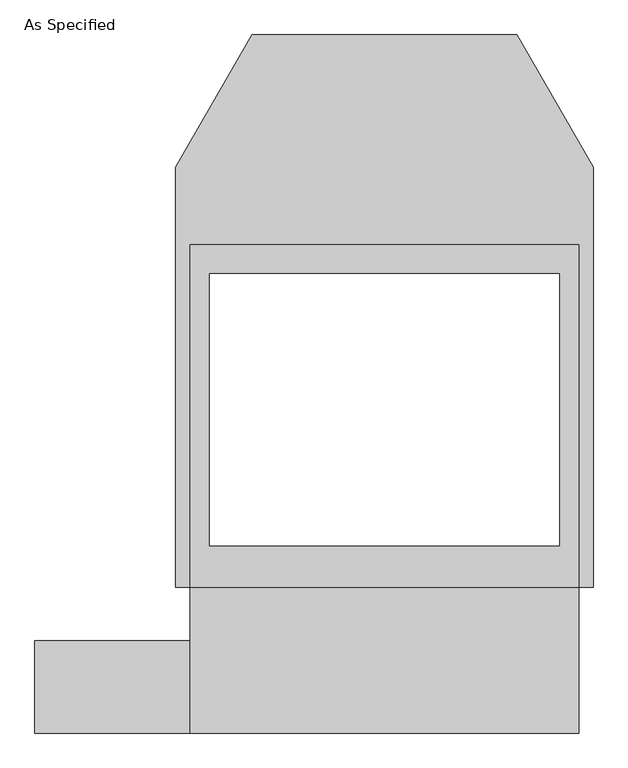
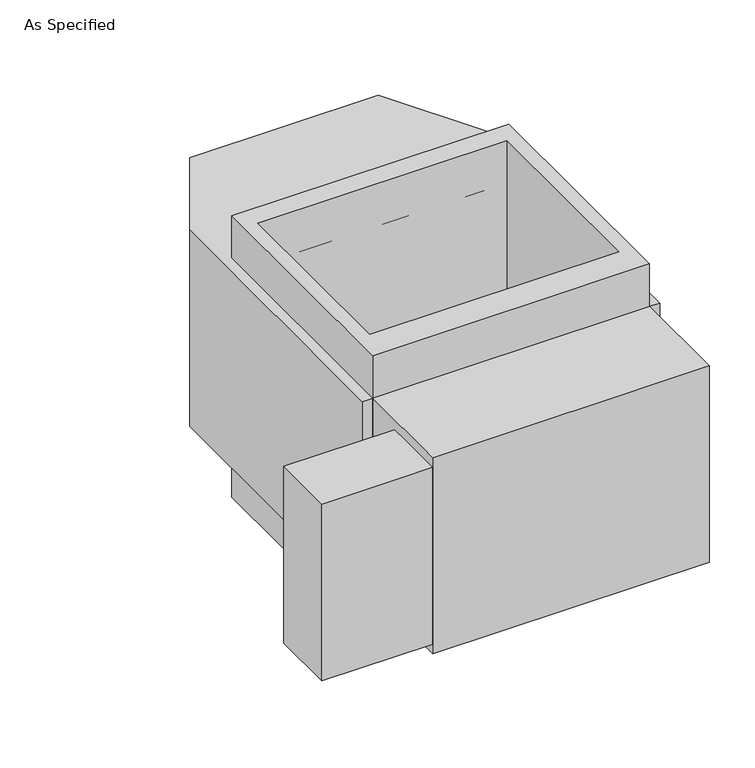
"""IFC4 building model written with IfcOpenShell, lengths in millimetres: proxy geometry, As Specified."""

from ifc_helpers import new_model, si_unit, frame, origin, place, context, project, spatial, polyline, outline, extrude, source, transform, mapped, element, save


def as_specified_ec86cf5d(model_context):
    return source(origin(), model_context, "Body", "SweptSolid", [
        extrude(outline(polyline([(-508.0, -912.5148438), (-914.4, -912.5148438), (-914.4, -671.2148438), (-508.0, -671.2148438), (-508.0, -912.5148438)])), frame((0.0, 0.0, -749.3), z_axis=(0.0, 0.0, 1.0), x_axis=(1.0, 0.0, 0.0)), (0.0, 0.0, 1.0), 685.8),
        extrude(outline(polyline([(508.0, 363.8351562), (508.0, -531.5148438), (-508.0, -531.5148438), (-508.0, 363.8351562), (508.0, 363.8351562)]), holes=[polyline([(-457.2, 287.6748437), (-457.2, -423.5251563), (457.2, -423.5251563), (457.2, 287.6748437), (-457.2, 287.6748437)])]), frame((0.0, 0.0, -952.5), z_axis=(0.0, 0.0, 1.0), x_axis=(1.0, 0.0, 0.0)), (0.0, 0.0, 1.0), 1092.2),
        extrude(outline(polyline([(508.0, -912.5148438), (-508.0, -912.5148438), (-508.0, -531.5148438), (-546.1, -531.5148438), (-546.1, 567.0748437), (-346.660123, 912.5148437), (346.660123, 912.5148437), (546.1, 567.0748437), (546.1, -531.5148438), (508.0, -531.5148438), (508.0, -912.5148438)]), holes=[polyline([(457.2, -423.5251563), (457.2, 287.6748437), (-457.2, 287.6748437), (-457.2, -423.5251563), (457.2, -423.5251563)])]), frame((0.0, 0.0, -787.4), z_axis=(0.0, 0.0, 1.0), x_axis=(1.0, 0.0, 0.0)), (0.0, 0.0, 1.0), 762.0),
    ])


if __name__ == "__main__":
    model = new_model("IFC4")
    model_context = context("Model", 3, world=origin())
    ifc_project = project(units=[si_unit("LENGTHUNIT", "METRE", prefix="MILLI")], contexts=[model_context])
    site = spatial("IfcSite", under=ifc_project)
    building = spatial("IfcBuilding", under=site)
    placement = place(None, origin())
    as_specified_shape = as_specified_ec86cf5d(model_context)
    element("IfcBuildingElementProxy", 1, Name="As Specified", ObjectType="As Specified", at=placement, inside=building, context=model_context, shape_type="MappedRepresentation", body=[
        mapped(as_specified_shape, transform((0.0, 0.0, 0.0), x_axis=(1.0, 0.0, 0.0), y_axis=(0.0, 1.0, 0.0), z_axis=(0.0, 0.0, 1.0))),
    ])
    save(model, "model.ifc")
